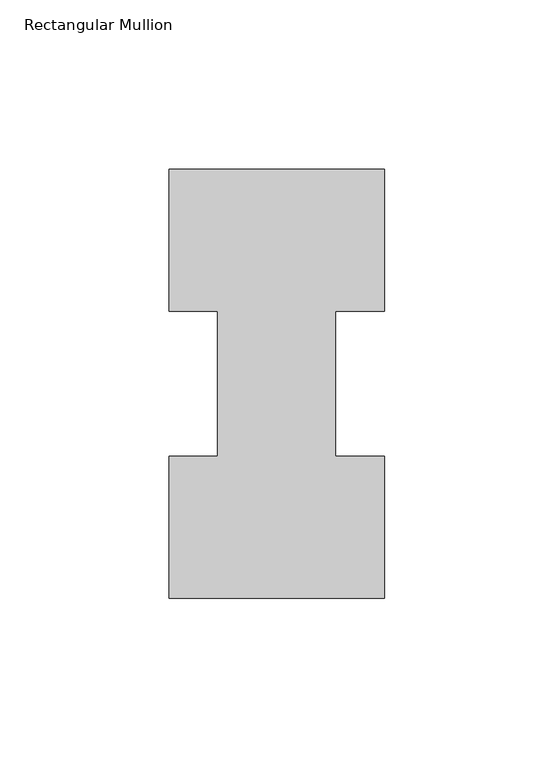
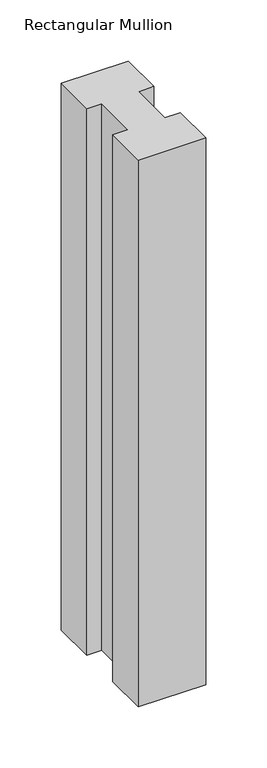
"""IFC4 building model written with IfcOpenShell, lengths in millimetres: member geometry, Rectangular Mullion."""

from ifc_helpers import new_model, si_unit, frame, origin, place, context, project, spatial, polyline, outline, extrude, source, transform, mapped, element, save


def rectangular_mullion_3cecddb0(model_context):
    return source(origin(), model_context, "Body", "SweptSolid", [
        extrude(outline(polyline([(-63.5, -0.0373062), (-63.5, 41.7837937), (-49.2125, 41.7837937), (-49.2125, 84.6335938), (-63.5, 84.6335938), (-63.5, 126.4546937), (0.0, 126.4546938), (0.0, 84.6335938), (-14.4999808, 84.6335938), (-14.4999808, 41.7837937), (0.0, 41.7837937), (0.0, -0.0373062), (-63.5, -0.0373062)])), frame((0.0, 0.0, -546.0999994), z_axis=(0.0, 0.0, 1.0), x_axis=(1.0, 0.0, 0.0)), (0.0, 0.0, 1.0), 546.0999994),
    ])


if __name__ == "__main__":
    model = new_model("IFC4")
    model_context = context("Model", 3, world=origin())
    ifc_project = project(units=[si_unit("LENGTHUNIT", "METRE", prefix="MILLI")], contexts=[model_context])
    site = spatial("IfcSite", under=ifc_project)
    building = spatial("IfcBuilding", under=site)
    placement = place(None, origin())
    rectangular_mullion_shape = rectangular_mullion_3cecddb0(model_context)
    element("IfcMember", 1, ObjectType="Rectangular Mullion", at=placement, inside=building, context=model_context, shape_type="MappedRepresentation", body=[
        mapped(rectangular_mullion_shape, transform((0.0, 0.0, 0.0), x_axis=(1.0, 0.0, 0.0), y_axis=(0.0, 1.0, 0.0), z_axis=(0.0, 0.0, 1.0))),
    ])
    save(model, "model.ifc")
